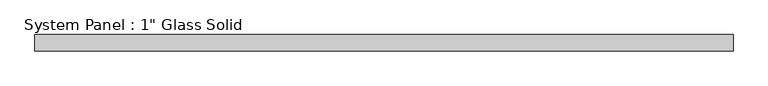
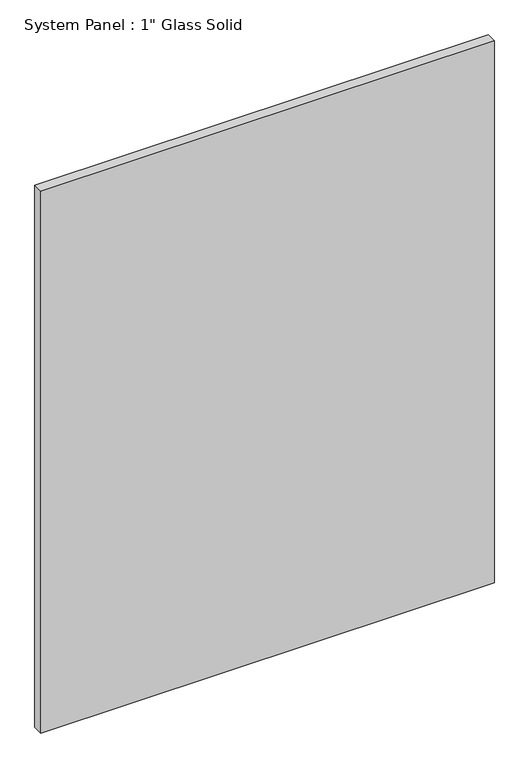
"""IFC4 building model written with IfcOpenShell, lengths in millimetres: plate geometry."""

from ifc_helpers import new_model, si_unit, origin, origin_with_axes, place, context, project, spatial, polyline, outline, extrude, source, transform, mapped, element, save


def plate_7a80eddb(model_context):
    return source(origin(), model_context, "Body", "SweptSolid", [
        extrude(outline(polyline([(548.2680865, -12.7), (-548.2680865, -12.7), (-548.2680865, 12.7), (548.2680865, 12.7), (548.2680865, -12.7)])), origin_with_axes(), (0.0, 0.0, 1.0), 1385.0491382),
    ])


if __name__ == "__main__":
    model = new_model("IFC4")
    model_context = context("Model", 3, world=origin())
    ifc_project = project(units=[si_unit("LENGTHUNIT", "METRE", prefix="MILLI")], contexts=[model_context])
    site = spatial("IfcSite", under=ifc_project)
    building = spatial("IfcBuilding", under=site)
    placement = place(None, origin())
    plate_shape = plate_7a80eddb(model_context)
    element("IfcPlate", 1, ObjectType="System Panel : 1\" Glass Solid", at=placement, inside=building, context=model_context, shape_type="MappedRepresentation", body=[
        mapped(plate_shape, transform((0.0, 0.0, 0.0), x_axis=(1.0, 0.0, 0.0), y_axis=(0.0, 1.0, 0.0), z_axis=(0.0, 0.0, 1.0))),
    ])
    save(model, "model.ifc")
